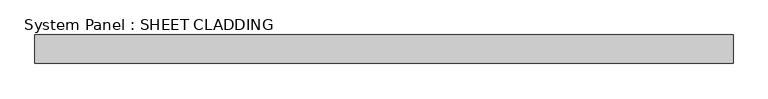
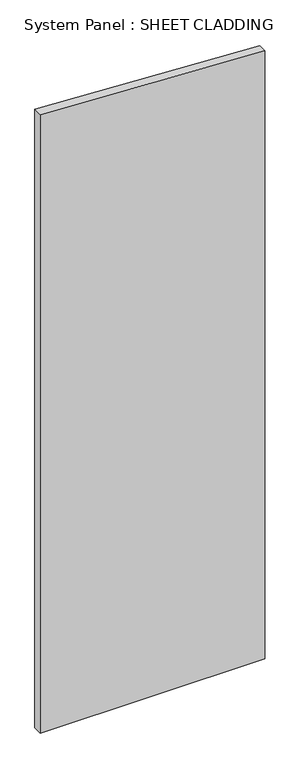
"""IFC4 building model written with IfcOpenShell, lengths in millimetres: plate geometry, System Panel : SHEET CLADDING."""

from ifc_helpers import new_model, si_unit, frame, origin, place, context, project, spatial, polyline, outline, extrude, source, transform, mapped, element, save


def system_panel_sheet_cladding_d050ed4b(model_context):
    return source(origin(), model_context, "Body", "SweptSolid", [
        extrude(outline(polyline([(0.0, -735.4591837), (0.0, 735.4591837), (4208.0846939, 735.4591837), (4281.6306122, -735.4591837), (0.0, -735.4591837)])), frame((0.0, -10.5, 0.0), z_axis=(0.0, 1.0, 0.0), x_axis=(0.0, 0.0, 1.0)), (0.0, 0.0, 1.0), 60.0),
    ])


if __name__ == "__main__":
    model = new_model("IFC4")
    model_context = context("Model", 3, world=origin())
    ifc_project = project(units=[si_unit("LENGTHUNIT", "METRE", prefix="MILLI")], contexts=[model_context])
    site = spatial("IfcSite", under=ifc_project)
    building = spatial("IfcBuilding", under=site)
    placement = place(None, origin())
    system_panel_sheet_cladding_shape = system_panel_sheet_cladding_d050ed4b(model_context)
    element("IfcPlate", 1, ObjectType="System Panel : SHEET CLADDING", at=placement, inside=building, context=model_context, shape_type="MappedRepresentation", body=[
        mapped(system_panel_sheet_cladding_shape, transform((0.0, 0.0, 0.0), x_axis=(1.0, 0.0, 0.0), y_axis=(0.0, 1.0, 0.0), z_axis=(0.0, 0.0, 1.0))),
    ])
    save(model, "model.ifc")
